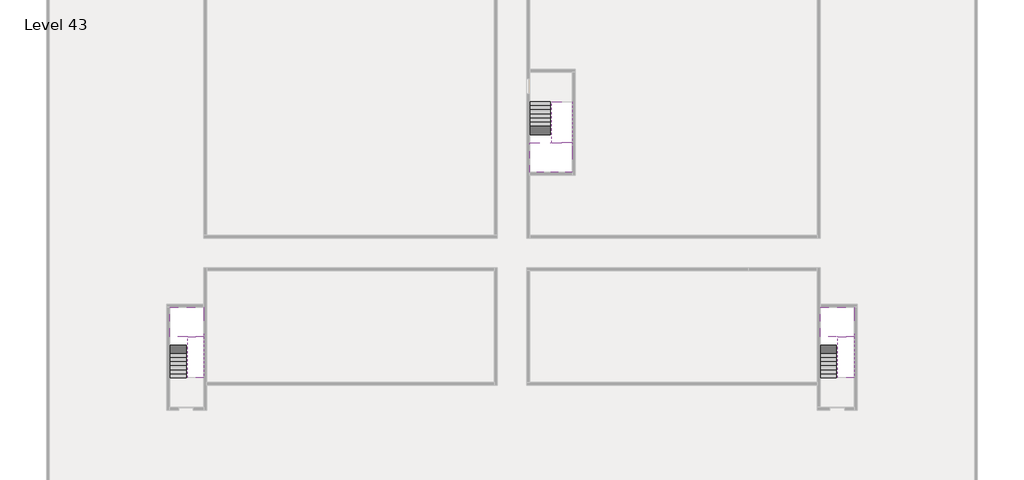
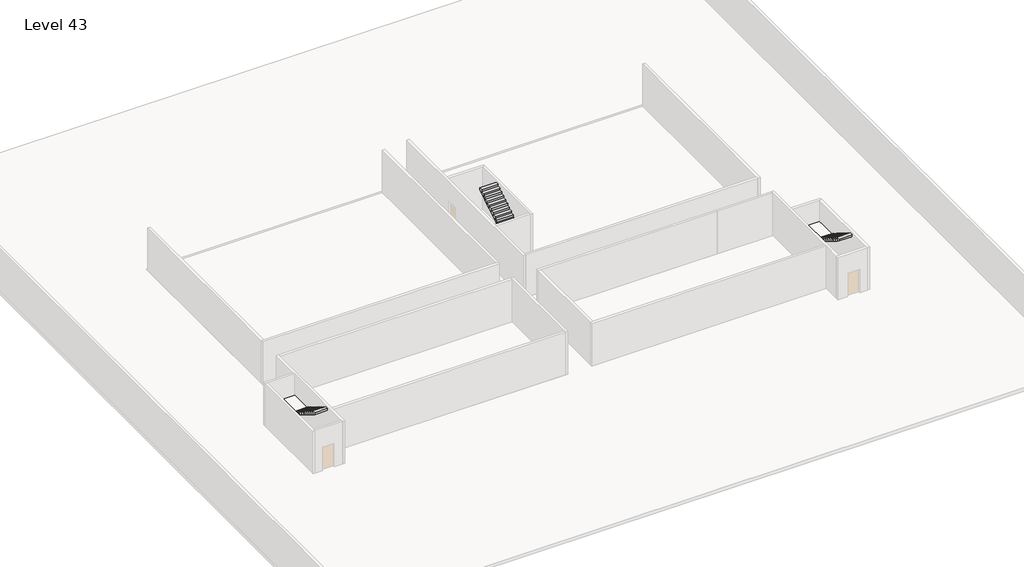
# One storey, part 2 of 2: 6 stair flights, 3 slabs.
"""IFC4 building model written with IfcOpenShell, lengths in millimetres."""

import ifcopenshell
import ifcopenshell.guid

model = None  # the IFC model being written
_history = None  # IfcOwnerHistory: only IFC2X3 demands one
_inside = {}  # id of a spatial element -> (the spatial element, [elements in it])
_under = {}  # id of a project, library or spatial element -> (it, [spatial elements below it])
_declared = {}  # id of a project -> (the project, [libraries it declares])
_typed = {}  # id of a type object -> (the type object, [elements of that type])
_made_of = {}  # id of a material, layer set ... -> (it, [elements and type objects made of it])


def new_model(schema):
    """Start an empty IFC model of exactly this schema.

    Asked for "IFC4X3", IfcOpenShell would pick the latest addendum, in which some entities
    have other attributes; the version numbers below select the first issue.
    IFC2X3 requires an IfcOwnerHistory on every rooted entity: one is made here for all.
    """
    global model, _history
    if schema == "IFC4X3":
        model = ifcopenshell.file(schema_version=(4, 3, 0, 0))
    else:
        model = ifcopenshell.file(schema=schema)
    _inside.clear()
    _under.clear()
    _declared.clear()
    _typed.clear()
    _made_of.clear()
    _history = None
    if model.schema == "IFC2X3":
        org = make("IfcOrganization", Name="unknown")
        user = make(
            "IfcPersonAndOrganization",
            ThePerson=make("IfcPerson", FamilyName="unknown"),
            TheOrganization=org,
        )
        app = make(
            "IfcApplication",
            ApplicationDeveloper=org,
            Version="unknown",
            ApplicationFullName="unknown",
            ApplicationIdentifier="unknown",
        )
        _history = make(
            "IfcOwnerHistory",
            OwningUser=user,
            OwningApplication=app,
            ChangeAction="ADDED",
            CreationDate=0,
        )
    return model


def make(cls, **values):
    """One entity of the class cls with the attributes given. An attribute that is None is left unset."""
    return model.create_entity(
        cls, **{name: value for name, value in values.items() if value is not None}
    )


def rooted(cls, **values):
    """An entity with a GlobalId (a new one), such as an element, a storey or a relation."""
    return make(cls, GlobalId=ifcopenshell.guid.new(), OwnerHistory=_history, **values)


def si_unit(unit_type, name, prefix=None):
    """IfcSIUnit, for example si_unit("LENGTHUNIT", "METRE", prefix="MILLI")."""
    return make("IfcSIUnit", UnitType=unit_type, Prefix=prefix, Name=name)


def assignment(units):
    """IfcUnitAssignment: the units of a project."""
    return None if units is None else make("IfcUnitAssignment", Units=units)


def point(xyz):
    """IfcCartesianPoint."""
    return None if xyz is None else make("IfcCartesianPoint", Coordinates=xyz)


def direction(xyz):
    """IfcDirection."""
    return None if xyz is None else make("IfcDirection", DirectionRatios=xyz)


def frame(location, z_axis=None, x_axis=None):
    """IfcAxis2Placement3D, a coordinate frame: its origin and axes. An axis left out is left unset."""
    return make(
        "IfcAxis2Placement3D",
        Location=point(location),
        Axis=direction(z_axis),
        RefDirection=direction(x_axis),
    )


def origin():
    """The frame at (0, 0, 0) with its axes left unset."""
    return frame((0.0, 0.0, 0.0))


def place(relative_to, where):
    """IfcLocalPlacement: puts the frame where relative to a parent placement (None: the world)."""
    return make(
        "IfcLocalPlacement", PlacementRelTo=relative_to, RelativePlacement=where
    )


def context(
    kind, dimensions, precision=None, world=None, true_north=None, identifier=None
):
    """IfcGeometricRepresentationContext, for example the 3D "Model" context."""
    return make(
        "IfcGeometricRepresentationContext",
        ContextIdentifier=identifier,
        ContextType=kind,
        CoordinateSpaceDimension=dimensions,
        Precision=precision,
        WorldCoordinateSystem=world,
        TrueNorth=true_north,
    )


def project(units=None, contexts=None):
    """IfcProject with its units and contexts."""
    return rooted(
        "IfcProject",
        Name="project",
        RepresentationContexts=contexts,
        UnitsInContext=assignment(units),
    )


def spatial(cls, under=None, at=None, **own):
    """A site, building, storey or space (cls), placed at a placement, below another one or the project."""
    s = rooted(cls, ObjectPlacement=at, **own)
    if under is not None:
        _under.setdefault(under.id(), (under, []))[1].append(s)
    return s


def faces_of(points, faces, orient=None, outer=None):
    """IfcFace entities. A face is a list of loops; a loop is a list of indices into points, from 0.

    orient and outer hold one flag for each loop. By default every Orientation is true, the
    first loop of a face is its IfcFaceOuterBound and the others are IfcFaceBound.
    """
    made = []
    for i, loops in enumerate(faces):
        bounds = []
        for j, loop in enumerate(loops):
            is_outer = j == 0 if outer is None else outer[i][j]
            bounds.append(
                make(
                    "IfcFaceOuterBound" if is_outer else "IfcFaceBound",
                    Bound=make("IfcPolyLoop", Polygon=[points[k] for k in loop]),
                    Orientation=True if orient is None else orient[i][j],
                )
            )
        made.append(make("IfcFace", Bounds=bounds))
    return made


def faceted_brep(points, faces, orient=None, outer=None, voids=None):
    """IfcFacetedBrep: a solid bounded by flat faces; with voids (closed shells), ...WithVoids."""
    shared = [point(p) for p in points]
    hull = make("IfcClosedShell", CfsFaces=faces_of(shared, faces, orient, outer))
    if voids is None:
        return make("IfcFacetedBrep", Outer=hull)
    return make(
        "IfcFacetedBrepWithVoids",
        Outer=hull,
        Voids=[
            make(cls, CfsFaces=faces_of(shared, fs, o, b)) for cls, fs, o, b in voids
        ],
    )


def shape(context_of_items, identifier, shape_type, items):
    """IfcShapeRepresentation: the items that make up one representation, for example the "Body"."""
    return make(
        "IfcShapeRepresentation",
        ContextOfItems=context_of_items,
        RepresentationIdentifier=identifier,
        RepresentationType=shape_type,
        Items=items,
    )


def made_of(thing, what):
    """Note that an element or type object is made of a material, layer set ...; save() writes the relation."""
    if what is not None:
        _made_of.setdefault(what.id(), (what, []))[1].append(thing)
    return thing


def element(
    cls,
    number,
    at=None,
    inside=None,
    cuts=None,
    type_object=None,
    material=None,
    context=None,
    identifier="Body",
    shape_type=None,
    held_by="IfcProductDefinitionShape",
    body=None,
    shapes=None,
    **own,
):
    """One element of the class cls, such as IfcWall. Its Tag is "e" and its number.

    at: its placement. inside: the storey or other place that contains it. cuts: it is an
    opening in that element (IfcRelVoidsElement). A single representation is given by context,
    identifier, shape_type and body (its items); several are given by shapes. held_by: the class
    of the entity that holds the representations. save() writes the other relations.
    """
    e = rooted(cls, Tag="e%d" % number, ObjectPlacement=at, **own)
    if body is not None:
        shapes = [shape(context, identifier, shape_type, body)]
    if shapes is not None:
        e.Representation = make(held_by, Representations=shapes)
    if inside is not None:
        _inside.setdefault(inside.id(), (inside, []))[1].append(e)
    if cuts is not None:
        rooted(
            "IfcRelVoidsElement", RelatingBuildingElement=cuts, RelatedOpeningElement=e
        )
    if type_object is not None:
        _typed.setdefault(type_object.id(), (type_object, []))[1].append(e)
    return made_of(e, material)


def aggregate(whole, parts):
    """IfcRelAggregates: a whole, such as a stair, and the parts it consists of."""
    return rooted("IfcRelAggregates", RelatingObject=whole, RelatedObjects=parts)


def save(model, path):
    """Write the relations noted so far, then the file.

    IfcRelAggregates (storeys below a building ...), IfcRelContainedInSpatialStructure (elements
    in a storey), IfcRelDefinesByType, IfcRelAssociatesMaterial and IfcRelDeclares: one each for
    every whole, place, type object, material and project.
    """
    for whole, parts in _under.values():
        aggregate(whole, parts)
    for where, things in _inside.values():
        rooted(
            "IfcRelContainedInSpatialStructure",
            RelatedElements=things,
            RelatingStructure=where,
        )
    for kind, things in _typed.values():
        rooted("IfcRelDefinesByType", RelatedObjects=things, RelatingType=kind)
    for what, things in _made_of.values():
        rooted("IfcRelAssociatesMaterial", RelatedObjects=things, RelatingMaterial=what)
    for by, libraries in _declared.values():
        rooted("IfcRelDeclares", RelatingContext=by, RelatedDefinitions=libraries)
    model.write(path)


model = new_model("IFC4")

# Units and contexts
model_context = context("Model", 3, world=origin())
ifc_project = project(units=[si_unit("LENGTHUNIT", "METRE", prefix="MILLI")], contexts=[model_context])

# Site, building, storey
site = spatial("IfcSite", under=ifc_project)
building = spatial("IfcBuilding", under=site)
storey = spatial("IfcBuildingStorey", under=building, Name="Level 43", Elevation=159600.0)

# Slabs
placement = place(None, origin())
element("IfcSlab", 1, at=placement, inside=storey, context=model_context, shape_type="Brep", body=[
    faceted_brep([(26790.1058784, -34218.09644, 161500.0), (25390.1058784, -34218.09644, 161500.0), (25390.1058784, -34297.4828763, 161500.0), (25390.1058784, -36218.09644, 161500.0), (28290.1058784, -36218.09644, 161500.0), (28290.1058784, -34418.7100038, 161500.0), (28290.1058784, -34218.09644, 161500.0), (26890.1058784, -34218.09644, 161500.0), (26790.1058784, -34218.09644, 161200.0), (26790.1058784, -34218.09644, 161151.0278478), (25390.1058784, -34218.09644, 161151.0278478), (25390.1058784, -34218.09644, 161327.2727273), (25390.1058784, -34297.4828763, 161200.0), (25390.1058784, -36218.09644, 161200.0), (28290.1058784, -36218.09644, 161200.0), (28290.1058784, -34418.7100038, 161200.0), (28290.1058784, -34218.09644, 161323.7551205), (26890.1058784, -34218.09644, 161323.7551205), (26890.1058784, -34218.09644, 161200.0), (26890.1058784, -34418.7100038, 161200.0), (26790.1058784, -34297.4828763, 161200.0)], [[[0, 1, 2, 3, 4, 5, 6, 7]], [[1, 0, 8, 9, 10, 11]], [[1, 11, 10, 12, 13, 3, 2]], [[4, 3, 13, 14]], [[4, 14, 15, 16, 6, 5]], [[7, 6, 16, 17]], [[0, 7, 17, 18, 8]], [[18, 19, 15, 14, 13, 12, 20, 8]], [[19, 18, 17]], [[20, 12, 10, 9]], [[8, 20, 9]], [[15, 19, 17, 16]]]),
])
element("IfcSlab", 2, at=placement, inside=storey, context=model_context, shape_type="Brep", body=[
    faceted_brep([(45190.1058784, -47418.09644, 161500.0), (46290.1058784, -47418.09644, 161500.0), (46390.1058784, -47418.09644, 161500.0), (47490.1058784, -47418.09644, 161500.0), (47490.1058784, -47217.4828763, 161500.0), (47490.1058784, -45418.09644, 161500.0), (45190.1058784, -45418.09644, 161500.0), (45190.1058784, -47338.7100038, 161500.0), (45190.1058784, -47418.09644, 161327.2727273), (45190.1058784, -47418.09644, 161151.0278478), (46290.1058784, -47418.09644, 161151.0278478), (46290.1058784, -47418.09644, 161200.0), (46390.1058784, -47418.09644, 161200.0), (46390.1058784, -47418.09644, 161323.7551205), (47490.1058784, -47418.09644, 161323.7551205), (47490.1058784, -47217.4828763, 161200.0), (47490.1058784, -45418.09644, 161200.0), (45190.1058784, -45418.09644, 161200.0), (45190.1058784, -47338.7100038, 161200.0), (46390.1058784, -47217.4828763, 161200.0), (46290.1058784, -47338.7100038, 161200.0)], [[[0, 1, 2, 3, 4, 5, 6, 7]], [[1, 0, 8, 9, 10, 11]], [[2, 1, 11, 12, 13]], [[3, 2, 13, 14]], [[3, 14, 15, 16, 5, 4]], [[6, 5, 16, 17]], [[9, 8, 0, 7, 6, 17, 18]], [[19, 12, 11, 20, 18, 17, 16, 15]], [[12, 19, 13]], [[18, 20, 10, 9]], [[20, 11, 10]], [[19, 15, 14, 13]]]),
])
element("IfcSlab", 3, at=placement, inside=storey, context=model_context, shape_type="Brep", body=[
    faceted_brep([(890.1058784, -47418.09644, 161500.0), (1990.1058784, -47418.09644, 161500.0), (2090.1058784, -47418.09644, 161500.0), (3190.1058784, -47418.09644, 161500.0), (3190.1058784, -47217.4828763, 161500.0), (3190.1058784, -45418.09644, 161500.0), (890.1058784, -45418.09644, 161500.0), (890.1058784, -47338.7100038, 161500.0), (890.1058784, -47418.09644, 161327.2727273), (890.1058784, -47418.09644, 161151.0278478), (1990.1058784, -47418.09644, 161151.0278478), (1990.1058784, -47418.09644, 161200.0), (2090.1058784, -47418.09644, 161200.0), (2090.1058784, -47418.09644, 161323.7551205), (3190.1058784, -47418.09644, 161323.7551205), (3190.1058784, -47217.4828763, 161200.0), (3190.1058784, -45418.09644, 161200.0), (890.1058784, -45418.09644, 161200.0), (890.1058784, -47338.7100038, 161200.0), (2090.1058784, -47217.4828763, 161200.0), (1990.1058784, -47338.7100038, 161200.0)], [[[0, 1, 2, 3, 4, 5, 6, 7]], [[1, 0, 8, 9, 10, 11]], [[2, 1, 11, 12, 13]], [[3, 2, 13, 14]], [[3, 14, 15, 16, 5, 4]], [[6, 5, 16, 17]], [[9, 8, 0, 7, 6, 17, 18]], [[19, 12, 11, 20, 18, 17, 16, 15]], [[12, 19, 13]], [[18, 20, 10, 9]], [[20, 11, 10]], [[19, 15, 14, 13]]]),
])

# Stair flights
element("IfcStairFlight", 4, at=placement, inside=storey, context=model_context, shape_type="Brep", body=[
    faceted_brep([(26790.1058784, -31698.09644, 159772.7272727), (26790.1058784, -31418.09644, 159772.7272727), (25390.1058784, -31418.09644, 159772.7272727), (25390.1058784, -31698.09644, 159772.7272727), (26790.1058784, -31698.09644, 159600.0), (26790.1058784, -31418.09644, 159600.0), (25390.1058784, -31418.09644, 159600.0), (25390.1058784, -31698.09644, 159600.0), (26790.1058784, -31978.09644, 159945.4545455), (26790.1058784, -31698.09644, 159945.4545455), (25390.1058784, -31698.09644, 159945.4545455), (25390.1058784, -31978.09644, 159945.4545455), (26790.1058784, -31978.09644, 159769.209666), (26790.1058784, -31703.7986657, 159600.0), (25390.1058784, -31703.7986657, 159600.0), (25390.1058784, -31978.09644, 159769.209666), (26790.1058784, -32258.09644, 160118.1818182), (26790.1058784, -31978.09644, 160118.1818182), (25390.1058784, -31978.09644, 160118.1818182), (25390.1058784, -32258.09644, 160118.1818182), (26790.1058784, -32258.09644, 159941.9369387), (25390.1058784, -32258.09644, 159941.9369387), (26790.1058784, -32538.09644, 160290.9090909), (26790.1058784, -32258.09644, 160290.9090909), (25390.1058784, -32258.09644, 160290.9090909), (25390.1058784, -32538.09644, 160290.9090909), (26790.1058784, -32538.09644, 160114.6642114), (25390.1058784, -32538.09644, 160114.6642114), (26790.1058784, -32818.09644, 160463.6363636), (26790.1058784, -32538.09644, 160463.6363636), (25390.1058784, -32538.09644, 160463.6363636), (25390.1058784, -32818.09644, 160463.6363636), (26790.1058784, -32818.09644, 160287.3914841), (25390.1058784, -32818.09644, 160287.3914841), (26790.1058784, -33098.09644, 160636.3636364), (26790.1058784, -32818.09644, 160636.3636364), (25390.1058784, -32818.09644, 160636.3636364), (25390.1058784, -33098.09644, 160636.3636364), (26790.1058784, -33098.09644, 160460.1187569), (25390.1058784, -33098.09644, 160460.1187569), (26790.1058784, -33378.09644, 160809.0909091), (26790.1058784, -33098.09644, 160809.0909091), (25390.1058784, -33098.09644, 160809.0909091), (25390.1058784, -33378.09644, 160809.0909091), (26790.1058784, -33378.09644, 160632.8460296), (25390.1058784, -33378.09644, 160632.8460296), (26790.1058784, -33658.09644, 160981.8181818), (26790.1058784, -33378.09644, 160981.8181818), (25390.1058784, -33378.09644, 160981.8181818), (25390.1058784, -33658.09644, 160981.8181818), (26790.1058784, -33658.09644, 160805.5733023), (25390.1058784, -33658.09644, 160805.5733023), (26790.1058784, -33938.09644, 161154.5454545), (26790.1058784, -33658.09644, 161154.5454545), (25390.1058784, -33658.09644, 161154.5454545), (25390.1058784, -33938.09644, 161154.5454545), (26790.1058784, -33938.09644, 160978.3005751), (25390.1058784, -33938.09644, 160978.3005751), (26790.1058784, -34218.09644, 161327.2727273), (26790.1058784, -33938.09644, 161327.2727273), (25390.1058784, -33938.09644, 161327.2727273), (25390.1058784, -34218.09644, 161327.2727273), (26790.1058784, -34218.09644, 161200.0), (26790.1058784, -34218.09644, 161151.0278478), (25390.1058784, -34218.09644, 161151.0278478)], [[[0, 1, 2, 3]], [[1, 0, 4, 5]], [[2, 1, 5, 6]], [[3, 2, 6, 7]], [[8, 9, 10, 11]], [[4, 0, 9, 8, 12, 13]], [[0, 3, 10, 9]], [[3, 7, 14, 15, 11, 10]], [[16, 17, 18, 19]], [[17, 16, 20, 12, 8]], [[8, 11, 18, 17]], [[19, 18, 11, 15, 21]], [[22, 23, 24, 25]], [[23, 22, 26, 20, 16]], [[16, 19, 24, 23]], [[25, 24, 19, 21, 27]], [[28, 29, 30, 31]], [[29, 28, 32, 26, 22]], [[22, 25, 30, 29]], [[31, 30, 25, 27, 33]], [[34, 35, 36, 37]], [[35, 34, 38, 32, 28]], [[28, 31, 36, 35]], [[37, 36, 31, 33, 39]], [[40, 41, 42, 43]], [[41, 40, 44, 38, 34]], [[34, 37, 42, 41]], [[43, 42, 37, 39, 45]], [[46, 47, 48, 49]], [[47, 46, 50, 44, 40]], [[40, 43, 48, 47]], [[49, 48, 43, 45, 51]], [[52, 53, 54, 55]], [[53, 52, 56, 50, 46]], [[46, 49, 54, 53]], [[55, 54, 49, 51, 57]], [[58, 59, 60, 61]], [[59, 58, 62, 63, 56, 52]], [[52, 55, 60, 59]], [[61, 60, 55, 57, 64]], [[58, 61, 64, 63, 62]], [[5, 4, 13, 14, 7, 6]], [[14, 13, 12, 20, 26, 32, 38, 44, 50, 56, 63, 64, 57, 51, 45, 39, 33, 27, 21, 15]]]),
])
element("IfcStairFlight", 5, at=placement, inside=storey, context=model_context, shape_type="Brep", body=[
    faceted_brep([(26890.1058784, -33938.09644, 161672.7272727), (26890.1058784, -34218.09644, 161672.7272727), (28290.1058784, -34218.09644, 161672.7272727), (28290.1058784, -33938.09644, 161672.7272727), (26890.1058784, -33938.09644, 161496.4823932), (26890.1058784, -34218.09644, 161323.7551205), (28290.1058784, -34218.09644, 161323.7551205), (28290.1058784, -34218.09644, 161500.0), (28290.1058784, -33938.09644, 161496.4823932), (26890.1058784, -33658.09644, 161845.4545455), (26890.1058784, -33938.09644, 161845.4545455), (28290.1058784, -33938.09644, 161845.4545455), (28290.1058784, -33658.09644, 161845.4545455), (26890.1058784, -33658.09644, 161669.209666), (28290.1058784, -33658.09644, 161669.209666), (26890.1058784, -33378.09644, 162018.1818182), (26890.1058784, -33658.09644, 162018.1818182), (28290.1058784, -33658.09644, 162018.1818182), (28290.1058784, -33378.09644, 162018.1818182), (26890.1058784, -33378.09644, 161841.9369387), (28290.1058784, -33378.09644, 161841.9369387), (26890.1058784, -33098.09644, 162190.9090909), (26890.1058784, -33378.09644, 162190.9090909), (28290.1058784, -33378.09644, 162190.9090909), (28290.1058784, -33098.09644, 162190.9090909), (26890.1058784, -33098.09644, 162014.6642114), (28290.1058784, -33098.09644, 162014.6642114), (26890.1058784, -32818.09644, 162363.6363636), (26890.1058784, -33098.09644, 162363.6363636), (28290.1058784, -33098.09644, 162363.6363636), (28290.1058784, -32818.09644, 162363.6363636), (26890.1058784, -32818.09644, 162187.3914841), (28290.1058784, -32818.09644, 162187.3914841), (26890.1058784, -32538.09644, 162536.3636364), (26890.1058784, -32818.09644, 162536.3636364), (28290.1058784, -32818.09644, 162536.3636364), (28290.1058784, -32538.09644, 162536.3636364), (26890.1058784, -32538.09644, 162360.1187569), (28290.1058784, -32538.09644, 162360.1187569), (26890.1058784, -32258.09644, 162709.0909091), (26890.1058784, -32538.09644, 162709.0909091), (28290.1058784, -32538.09644, 162709.0909091), (28290.1058784, -32258.09644, 162709.0909091), (26890.1058784, -32258.09644, 162532.8460296), (28290.1058784, -32258.09644, 162532.8460296), (26890.1058784, -31978.09644, 162881.8181818), (26890.1058784, -32258.09644, 162881.8181818), (28290.1058784, -32258.09644, 162881.8181818), (28290.1058784, -31978.09644, 162881.8181818), (26890.1058784, -31978.09644, 162705.5733023), (28290.1058784, -31978.09644, 162705.5733023), (26890.1058784, -31698.09644, 163054.5454545), (26890.1058784, -31978.09644, 163054.5454545), (28290.1058784, -31978.09644, 163054.5454545), (28290.1058784, -31698.09644, 163054.5454545), (26890.1058784, -31698.09644, 162878.3005751), (28290.1058784, -31698.09644, 162878.3005751), (26890.1058784, -31418.09644, 163227.2727273), (26890.1058784, -31698.09644, 163227.2727273), (28290.1058784, -31698.09644, 163227.2727273), (28290.1058784, -31418.09644, 163227.2727273), (26890.1058784, -31418.09644, 163051.0278478), (28290.1058784, -31418.09644, 163051.0278478)], [[[0, 1, 2, 3]], [[1, 0, 4, 5]], [[2, 1, 5, 6, 7]], [[3, 2, 7, 6, 8]], [[9, 10, 11, 12]], [[10, 9, 13, 4, 0]], [[11, 10, 0, 3]], [[12, 11, 3, 8, 14]], [[15, 16, 17, 18]], [[16, 15, 19, 13, 9]], [[17, 16, 9, 12]], [[18, 17, 12, 14, 20]], [[21, 22, 23, 24]], [[22, 21, 25, 19, 15]], [[23, 22, 15, 18]], [[24, 23, 18, 20, 26]], [[27, 28, 29, 30]], [[28, 27, 31, 25, 21]], [[29, 28, 21, 24]], [[30, 29, 24, 26, 32]], [[33, 34, 35, 36]], [[34, 33, 37, 31, 27]], [[35, 34, 27, 30]], [[36, 35, 30, 32, 38]], [[39, 40, 41, 42]], [[40, 39, 43, 37, 33]], [[41, 40, 33, 36]], [[42, 41, 36, 38, 44]], [[45, 46, 47, 48]], [[46, 45, 49, 43, 39]], [[47, 46, 39, 42]], [[48, 47, 42, 44, 50]], [[51, 52, 53, 54]], [[52, 51, 55, 49, 45]], [[53, 52, 45, 48]], [[54, 53, 48, 50, 56]], [[57, 58, 59, 60]], [[58, 57, 61, 55, 51]], [[59, 58, 51, 54]], [[60, 59, 54, 56, 62]], [[57, 60, 62, 61]], [[5, 4, 13, 19, 25, 31, 37, 43, 49, 55, 61, 62, 56, 50, 44, 38, 32, 26, 20, 14, 8, 6]]]),
])
element("IfcStairFlight", 6, at=placement, inside=storey, context=model_context, shape_type="Brep", body=[
    faceted_brep([(45190.1058784, -49938.09644, 159772.7272727), (45190.1058784, -50218.09644, 159772.7272727), (46290.1058784, -50218.09644, 159772.7272727), (46290.1058784, -49938.09644, 159772.7272727), (45190.1058784, -49938.09644, 159600.0), (45190.1058784, -50218.09644, 159600.0), (46290.1058784, -50218.09644, 159600.0), (46290.1058784, -49938.09644, 159600.0), (45190.1058784, -49658.09644, 159945.4545455), (45190.1058784, -49938.09644, 159945.4545455), (46290.1058784, -49938.09644, 159945.4545455), (46290.1058784, -49658.09644, 159945.4545455), (45190.1058784, -49658.09644, 159769.209666), (45190.1058784, -49932.3942143, 159600.0), (46290.1058784, -49932.3942143, 159600.0), (46290.1058784, -49658.09644, 159769.209666), (45190.1058784, -49378.09644, 160118.1818182), (45190.1058784, -49658.09644, 160118.1818182), (46290.1058784, -49658.09644, 160118.1818182), (46290.1058784, -49378.09644, 160118.1818182), (45190.1058784, -49378.09644, 159941.9369387), (46290.1058784, -49378.09644, 159941.9369387), (45190.1058784, -49098.09644, 160290.9090909), (45190.1058784, -49378.09644, 160290.9090909), (46290.1058784, -49378.09644, 160290.9090909), (46290.1058784, -49098.09644, 160290.9090909), (45190.1058784, -49098.09644, 160114.6642114), (46290.1058784, -49098.09644, 160114.6642114), (45190.1058784, -48818.09644, 160463.6363636), (45190.1058784, -49098.09644, 160463.6363636), (46290.1058784, -49098.09644, 160463.6363636), (46290.1058784, -48818.09644, 160463.6363636), (45190.1058784, -48818.09644, 160287.3914841), (46290.1058784, -48818.09644, 160287.3914841), (45190.1058784, -48538.09644, 160636.3636364), (45190.1058784, -48818.09644, 160636.3636364), (46290.1058784, -48818.09644, 160636.3636364), (46290.1058784, -48538.09644, 160636.3636364), (45190.1058784, -48538.09644, 160460.1187569), (46290.1058784, -48538.09644, 160460.1187569), (45190.1058784, -48258.09644, 160809.0909091), (45190.1058784, -48538.09644, 160809.0909091), (46290.1058784, -48538.09644, 160809.0909091), (46290.1058784, -48258.09644, 160809.0909091), (45190.1058784, -48258.09644, 160632.8460296), (46290.1058784, -48258.09644, 160632.8460296), (45190.1058784, -47978.09644, 160981.8181818), (45190.1058784, -48258.09644, 160981.8181818), (46290.1058784, -48258.09644, 160981.8181818), (46290.1058784, -47978.09644, 160981.8181818), (45190.1058784, -47978.09644, 160805.5733023), (46290.1058784, -47978.09644, 160805.5733023), (45190.1058784, -47698.09644, 161154.5454545), (45190.1058784, -47978.09644, 161154.5454545), (46290.1058784, -47978.09644, 161154.5454545), (46290.1058784, -47698.09644, 161154.5454545), (45190.1058784, -47698.09644, 160978.3005751), (46290.1058784, -47698.09644, 160978.3005751), (45190.1058784, -47418.09644, 161327.2727273), (45190.1058784, -47698.09644, 161327.2727273), (46290.1058784, -47698.09644, 161327.2727273), (46290.1058784, -47418.09644, 161327.2727273), (45190.1058784, -47418.09644, 161151.0278478), (46290.1058784, -47418.09644, 161151.0278478), (46290.1058784, -47418.09644, 161200.0)], [[[0, 1, 2, 3]], [[1, 0, 4, 5]], [[2, 1, 5, 6]], [[3, 2, 6, 7]], [[8, 9, 10, 11]], [[4, 0, 9, 8, 12, 13]], [[0, 3, 10, 9]], [[3, 7, 14, 15, 11, 10]], [[16, 17, 18, 19]], [[17, 16, 20, 12, 8]], [[8, 11, 18, 17]], [[19, 18, 11, 15, 21]], [[22, 23, 24, 25]], [[23, 22, 26, 20, 16]], [[16, 19, 24, 23]], [[25, 24, 19, 21, 27]], [[28, 29, 30, 31]], [[29, 28, 32, 26, 22]], [[22, 25, 30, 29]], [[31, 30, 25, 27, 33]], [[34, 35, 36, 37]], [[35, 34, 38, 32, 28]], [[28, 31, 36, 35]], [[37, 36, 31, 33, 39]], [[40, 41, 42, 43]], [[41, 40, 44, 38, 34]], [[34, 37, 42, 41]], [[43, 42, 37, 39, 45]], [[46, 47, 48, 49]], [[47, 46, 50, 44, 40]], [[40, 43, 48, 47]], [[49, 48, 43, 45, 51]], [[52, 53, 54, 55]], [[53, 52, 56, 50, 46]], [[46, 49, 54, 53]], [[55, 54, 49, 51, 57]], [[58, 59, 60, 61]], [[59, 58, 62, 56, 52]], [[52, 55, 60, 59]], [[61, 60, 55, 57, 63, 64]], [[58, 61, 64, 63, 62]], [[5, 4, 13, 14, 7, 6]], [[14, 13, 12, 20, 26, 32, 38, 44, 50, 56, 62, 63, 57, 51, 45, 39, 33, 27, 21, 15]]]),
])
element("IfcStairFlight", 7, at=placement, inside=storey, context=model_context, shape_type="Brep", body=[
    faceted_brep([(47490.1058784, -47698.09644, 161672.7272727), (47490.1058784, -47418.09644, 161672.7272727), (46390.1058784, -47418.09644, 161672.7272727), (46390.1058784, -47698.09644, 161672.7272727), (47490.1058784, -47698.09644, 161496.4823932), (47490.1058784, -47418.09644, 161323.7551205), (47490.1058784, -47418.09644, 161500.0), (46390.1058784, -47418.09644, 161323.7551205), (46390.1058784, -47698.09644, 161496.4823932), (47490.1058784, -47978.09644, 161845.4545455), (47490.1058784, -47698.09644, 161845.4545455), (46390.1058784, -47698.09644, 161845.4545455), (46390.1058784, -47978.09644, 161845.4545455), (47490.1058784, -47978.09644, 161669.209666), (46390.1058784, -47978.09644, 161669.209666), (47490.1058784, -48258.09644, 162018.1818182), (47490.1058784, -47978.09644, 162018.1818182), (46390.1058784, -47978.09644, 162018.1818182), (46390.1058784, -48258.09644, 162018.1818182), (47490.1058784, -48258.09644, 161841.9369387), (46390.1058784, -48258.09644, 161841.9369387), (47490.1058784, -48538.09644, 162190.9090909), (47490.1058784, -48258.09644, 162190.9090909), (46390.1058784, -48258.09644, 162190.9090909), (46390.1058784, -48538.09644, 162190.9090909), (47490.1058784, -48538.09644, 162014.6642114), (46390.1058784, -48538.09644, 162014.6642114), (47490.1058784, -48818.09644, 162363.6363636), (47490.1058784, -48538.09644, 162363.6363636), (46390.1058784, -48538.09644, 162363.6363636), (46390.1058784, -48818.09644, 162363.6363636), (47490.1058784, -48818.09644, 162187.3914841), (46390.1058784, -48818.09644, 162187.3914841), (47490.1058784, -49098.09644, 162536.3636364), (47490.1058784, -48818.09644, 162536.3636364), (46390.1058784, -48818.09644, 162536.3636364), (46390.1058784, -49098.09644, 162536.3636364), (47490.1058784, -49098.09644, 162360.1187569), (46390.1058784, -49098.09644, 162360.1187569), (47490.1058784, -49378.09644, 162709.0909091), (47490.1058784, -49098.09644, 162709.0909091), (46390.1058784, -49098.09644, 162709.0909091), (46390.1058784, -49378.09644, 162709.0909091), (47490.1058784, -49378.09644, 162532.8460296), (46390.1058784, -49378.09644, 162532.8460296), (47490.1058784, -49658.09644, 162881.8181818), (47490.1058784, -49378.09644, 162881.8181818), (46390.1058784, -49378.09644, 162881.8181818), (46390.1058784, -49658.09644, 162881.8181818), (47490.1058784, -49658.09644, 162705.5733023), (46390.1058784, -49658.09644, 162705.5733023), (47490.1058784, -49938.09644, 163054.5454545), (47490.1058784, -49658.09644, 163054.5454545), (46390.1058784, -49658.09644, 163054.5454545), (46390.1058784, -49938.09644, 163054.5454545), (47490.1058784, -49938.09644, 162878.3005751), (46390.1058784, -49938.09644, 162878.3005751), (47490.1058784, -50218.09644, 163227.2727273), (47490.1058784, -49938.09644, 163227.2727273), (46390.1058784, -49938.09644, 163227.2727273), (46390.1058784, -50218.09644, 163227.2727273), (47490.1058784, -50218.09644, 163051.0278478), (46390.1058784, -50218.09644, 163051.0278478)], [[[0, 1, 2, 3]], [[1, 0, 4, 5, 6]], [[2, 1, 6, 5, 7]], [[3, 2, 7, 8]], [[9, 10, 11, 12]], [[10, 9, 13, 4, 0]], [[11, 10, 0, 3]], [[12, 11, 3, 8, 14]], [[15, 16, 17, 18]], [[16, 15, 19, 13, 9]], [[17, 16, 9, 12]], [[18, 17, 12, 14, 20]], [[21, 22, 23, 24]], [[22, 21, 25, 19, 15]], [[23, 22, 15, 18]], [[24, 23, 18, 20, 26]], [[27, 28, 29, 30]], [[28, 27, 31, 25, 21]], [[29, 28, 21, 24]], [[30, 29, 24, 26, 32]], [[33, 34, 35, 36]], [[34, 33, 37, 31, 27]], [[35, 34, 27, 30]], [[36, 35, 30, 32, 38]], [[39, 40, 41, 42]], [[40, 39, 43, 37, 33]], [[41, 40, 33, 36]], [[42, 41, 36, 38, 44]], [[45, 46, 47, 48]], [[46, 45, 49, 43, 39]], [[47, 46, 39, 42]], [[48, 47, 42, 44, 50]], [[51, 52, 53, 54]], [[52, 51, 55, 49, 45]], [[53, 52, 45, 48]], [[54, 53, 48, 50, 56]], [[57, 58, 59, 60]], [[58, 57, 61, 55, 51]], [[59, 58, 51, 54]], [[60, 59, 54, 56, 62]], [[57, 60, 62, 61]], [[5, 4, 13, 19, 25, 31, 37, 43, 49, 55, 61, 62, 56, 50, 44, 38, 32, 26, 20, 14, 8, 7]]]),
])
element("IfcStairFlight", 8, at=placement, inside=storey, context=model_context, shape_type="Brep", body=[
    faceted_brep([(890.1058784, -49938.09644, 159772.7272727), (890.1058784, -50218.09644, 159772.7272727), (1990.1058784, -50218.09644, 159772.7272727), (1990.1058784, -49938.09644, 159772.7272727), (890.1058784, -49938.09644, 159600.0), (890.1058784, -50218.09644, 159600.0), (1990.1058784, -50218.09644, 159600.0), (1990.1058784, -49938.09644, 159600.0), (890.1058784, -49658.09644, 159945.4545455), (890.1058784, -49938.09644, 159945.4545455), (1990.1058784, -49938.09644, 159945.4545455), (1990.1058784, -49658.09644, 159945.4545455), (890.1058784, -49658.09644, 159769.209666), (890.1058784, -49932.3942143, 159600.0), (1990.1058784, -49932.3942143, 159600.0), (1990.1058784, -49658.09644, 159769.209666), (890.1058784, -49378.09644, 160118.1818182), (890.1058784, -49658.09644, 160118.1818182), (1990.1058784, -49658.09644, 160118.1818182), (1990.1058784, -49378.09644, 160118.1818182), (890.1058784, -49378.09644, 159941.9369387), (1990.1058784, -49378.09644, 159941.9369387), (890.1058784, -49098.09644, 160290.9090909), (890.1058784, -49378.09644, 160290.9090909), (1990.1058784, -49378.09644, 160290.9090909), (1990.1058784, -49098.09644, 160290.9090909), (890.1058784, -49098.09644, 160114.6642114), (1990.1058784, -49098.09644, 160114.6642114), (890.1058784, -48818.09644, 160463.6363636), (890.1058784, -49098.09644, 160463.6363636), (1990.1058784, -49098.09644, 160463.6363636), (1990.1058784, -48818.09644, 160463.6363636), (890.1058784, -48818.09644, 160287.3914841), (1990.1058784, -48818.09644, 160287.3914841), (890.1058784, -48538.09644, 160636.3636364), (890.1058784, -48818.09644, 160636.3636364), (1990.1058784, -48818.09644, 160636.3636364), (1990.1058784, -48538.09644, 160636.3636364), (890.1058784, -48538.09644, 160460.1187569), (1990.1058784, -48538.09644, 160460.1187569), (890.1058784, -48258.09644, 160809.0909091), (890.1058784, -48538.09644, 160809.0909091), (1990.1058784, -48538.09644, 160809.0909091), (1990.1058784, -48258.09644, 160809.0909091), (890.1058784, -48258.09644, 160632.8460296), (1990.1058784, -48258.09644, 160632.8460296), (890.1058784, -47978.09644, 160981.8181818), (890.1058784, -48258.09644, 160981.8181818), (1990.1058784, -48258.09644, 160981.8181818), (1990.1058784, -47978.09644, 160981.8181818), (890.1058784, -47978.09644, 160805.5733023), (1990.1058784, -47978.09644, 160805.5733023), (890.1058784, -47698.09644, 161154.5454545), (890.1058784, -47978.09644, 161154.5454545), (1990.1058784, -47978.09644, 161154.5454545), (1990.1058784, -47698.09644, 161154.5454545), (890.1058784, -47698.09644, 160978.3005751), (1990.1058784, -47698.09644, 160978.3005751), (890.1058784, -47418.09644, 161327.2727273), (890.1058784, -47698.09644, 161327.2727273), (1990.1058784, -47698.09644, 161327.2727273), (1990.1058784, -47418.09644, 161327.2727273), (890.1058784, -47418.09644, 161151.0278478), (1990.1058784, -47418.09644, 161151.0278478), (1990.1058784, -47418.09644, 161200.0)], [[[0, 1, 2, 3]], [[1, 0, 4, 5]], [[2, 1, 5, 6]], [[3, 2, 6, 7]], [[8, 9, 10, 11]], [[4, 0, 9, 8, 12, 13]], [[0, 3, 10, 9]], [[3, 7, 14, 15, 11, 10]], [[16, 17, 18, 19]], [[17, 16, 20, 12, 8]], [[8, 11, 18, 17]], [[19, 18, 11, 15, 21]], [[22, 23, 24, 25]], [[23, 22, 26, 20, 16]], [[16, 19, 24, 23]], [[25, 24, 19, 21, 27]], [[28, 29, 30, 31]], [[29, 28, 32, 26, 22]], [[22, 25, 30, 29]], [[31, 30, 25, 27, 33]], [[34, 35, 36, 37]], [[35, 34, 38, 32, 28]], [[28, 31, 36, 35]], [[37, 36, 31, 33, 39]], [[40, 41, 42, 43]], [[41, 40, 44, 38, 34]], [[34, 37, 42, 41]], [[43, 42, 37, 39, 45]], [[46, 47, 48, 49]], [[47, 46, 50, 44, 40]], [[40, 43, 48, 47]], [[49, 48, 43, 45, 51]], [[52, 53, 54, 55]], [[53, 52, 56, 50, 46]], [[46, 49, 54, 53]], [[55, 54, 49, 51, 57]], [[58, 59, 60, 61]], [[59, 58, 62, 56, 52]], [[52, 55, 60, 59]], [[61, 60, 55, 57, 63, 64]], [[58, 61, 64, 63, 62]], [[5, 4, 13, 14, 7, 6]], [[14, 13, 12, 20, 26, 32, 38, 44, 50, 56, 62, 63, 57, 51, 45, 39, 33, 27, 21, 15]]]),
])
element("IfcStairFlight", 9, at=placement, inside=storey, context=model_context, shape_type="Brep", body=[
    faceted_brep([(3190.1058784, -47698.09644, 161672.7272727), (3190.1058784, -47418.09644, 161672.7272727), (2090.1058784, -47418.09644, 161672.7272727), (2090.1058784, -47698.09644, 161672.7272727), (3190.1058784, -47698.09644, 161496.4823932), (3190.1058784, -47418.09644, 161323.7551205), (3190.1058784, -47418.09644, 161500.0), (2090.1058784, -47418.09644, 161323.7551205), (2090.1058784, -47698.09644, 161496.4823932), (3190.1058784, -47978.09644, 161845.4545455), (3190.1058784, -47698.09644, 161845.4545455), (2090.1058784, -47698.09644, 161845.4545455), (2090.1058784, -47978.09644, 161845.4545455), (3190.1058784, -47978.09644, 161669.209666), (2090.1058784, -47978.09644, 161669.209666), (3190.1058784, -48258.09644, 162018.1818182), (3190.1058784, -47978.09644, 162018.1818182), (2090.1058784, -47978.09644, 162018.1818182), (2090.1058784, -48258.09644, 162018.1818182), (3190.1058784, -48258.09644, 161841.9369387), (2090.1058784, -48258.09644, 161841.9369387), (3190.1058784, -48538.09644, 162190.9090909), (3190.1058784, -48258.09644, 162190.9090909), (2090.1058784, -48258.09644, 162190.9090909), (2090.1058784, -48538.09644, 162190.9090909), (3190.1058784, -48538.09644, 162014.6642114), (2090.1058784, -48538.09644, 162014.6642114), (3190.1058784, -48818.09644, 162363.6363636), (3190.1058784, -48538.09644, 162363.6363636), (2090.1058784, -48538.09644, 162363.6363636), (2090.1058784, -48818.09644, 162363.6363636), (3190.1058784, -48818.09644, 162187.3914841), (2090.1058784, -48818.09644, 162187.3914841), (3190.1058784, -49098.09644, 162536.3636364), (3190.1058784, -48818.09644, 162536.3636364), (2090.1058784, -48818.09644, 162536.3636364), (2090.1058784, -49098.09644, 162536.3636364), (3190.1058784, -49098.09644, 162360.1187569), (2090.1058784, -49098.09644, 162360.1187569), (3190.1058784, -49378.09644, 162709.0909091), (3190.1058784, -49098.09644, 162709.0909091), (2090.1058784, -49098.09644, 162709.0909091), (2090.1058784, -49378.09644, 162709.0909091), (3190.1058784, -49378.09644, 162532.8460296), (2090.1058784, -49378.09644, 162532.8460296), (3190.1058784, -49658.09644, 162881.8181818), (3190.1058784, -49378.09644, 162881.8181818), (2090.1058784, -49378.09644, 162881.8181818), (2090.1058784, -49658.09644, 162881.8181818), (3190.1058784, -49658.09644, 162705.5733023), (2090.1058784, -49658.09644, 162705.5733023), (3190.1058784, -49938.09644, 163054.5454545), (3190.1058784, -49658.09644, 163054.5454545), (2090.1058784, -49658.09644, 163054.5454545), (2090.1058784, -49938.09644, 163054.5454545), (3190.1058784, -49938.09644, 162878.3005751), (2090.1058784, -49938.09644, 162878.3005751), (3190.1058784, -50218.09644, 163227.2727273), (3190.1058784, -49938.09644, 163227.2727273), (2090.1058784, -49938.09644, 163227.2727273), (2090.1058784, -50218.09644, 163227.2727273), (3190.1058784, -50218.09644, 163051.0278478), (2090.1058784, -50218.09644, 163051.0278478)], [[[0, 1, 2, 3]], [[1, 0, 4, 5, 6]], [[2, 1, 6, 5, 7]], [[3, 2, 7, 8]], [[9, 10, 11, 12]], [[10, 9, 13, 4, 0]], [[11, 10, 0, 3]], [[12, 11, 3, 8, 14]], [[15, 16, 17, 18]], [[16, 15, 19, 13, 9]], [[17, 16, 9, 12]], [[18, 17, 12, 14, 20]], [[21, 22, 23, 24]], [[22, 21, 25, 19, 15]], [[23, 22, 15, 18]], [[24, 23, 18, 20, 26]], [[27, 28, 29, 30]], [[28, 27, 31, 25, 21]], [[29, 28, 21, 24]], [[30, 29, 24, 26, 32]], [[33, 34, 35, 36]], [[34, 33, 37, 31, 27]], [[35, 34, 27, 30]], [[36, 35, 30, 32, 38]], [[39, 40, 41, 42]], [[40, 39, 43, 37, 33]], [[41, 40, 33, 36]], [[42, 41, 36, 38, 44]], [[45, 46, 47, 48]], [[46, 45, 49, 43, 39]], [[47, 46, 39, 42]], [[48, 47, 42, 44, 50]], [[51, 52, 53, 54]], [[52, 51, 55, 49, 45]], [[53, 52, 45, 48]], [[54, 53, 48, 50, 56]], [[57, 58, 59, 60]], [[58, 57, 61, 55, 51]], [[59, 58, 51, 54]], [[60, 59, 54, 56, 62]], [[57, 60, 62, 61]], [[5, 4, 13, 19, 25, 31, 37, 43, 49, 55, 61, 62, 56, 50, 44, 38, 32, 26, 20, 14, 8, 7]]]),
])

save(model, "model.ifc")
